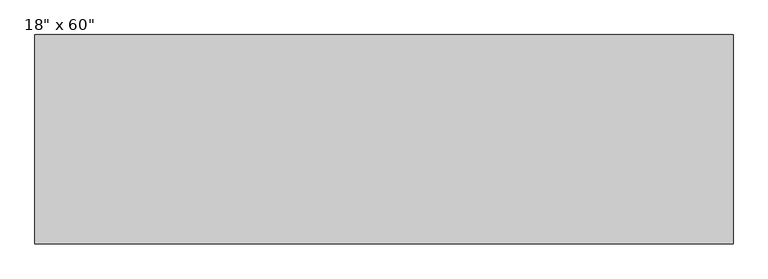
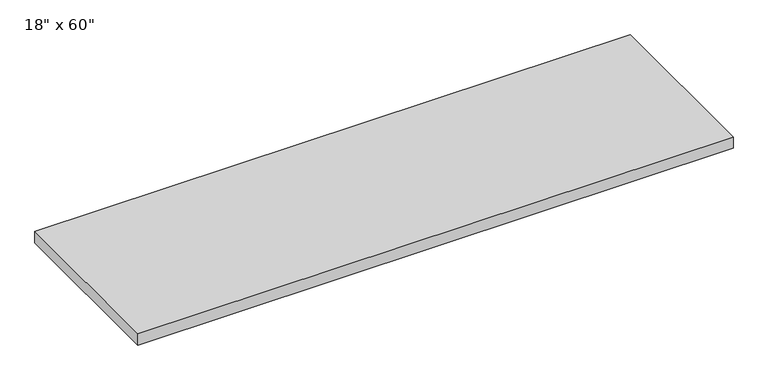
"""IFC4 building model written with IfcOpenShell, lengths in millimetres: furniture geometry."""

from ifc_helpers import new_model, si_unit, frame, origin, place, context, project, spatial, polyline, outline, extrude, source, transform, mapped, element, save


def furniture_e57ce7f2(model_context):
    return source(origin(), model_context, "Body", "SweptSolid", [
        extrude(outline(polyline([(762.0, 228.6), (762.0, -228.6), (-762.0, -228.6), (-762.0, 228.6), (762.0, 228.6)])), frame((0.0, 0.0, 584.2), z_axis=(0.0, 0.0, 1.0), x_axis=(1.0, 0.0, 0.0)), (0.0, 0.0, 1.0), 30.1625),
    ])


if __name__ == "__main__":
    model = new_model("IFC4")
    model_context = context("Model", 3, world=origin())
    ifc_project = project(units=[si_unit("LENGTHUNIT", "METRE", prefix="MILLI")], contexts=[model_context])
    site = spatial("IfcSite", under=ifc_project)
    building = spatial("IfcBuilding", under=site)
    placement = place(None, origin())
    furniture_shape = furniture_e57ce7f2(model_context)
    element("IfcFurniture", 1, ObjectType="18\" x 60\"", at=placement, inside=building, context=model_context, shape_type="MappedRepresentation", body=[
        mapped(furniture_shape, transform((0.0, 0.0, 0.0), x_axis=(1.0, 0.0, 0.0), y_axis=(0.0, 1.0, 0.0), z_axis=(0.0, 0.0, 1.0))),
    ])
    save(model, "model.ifc")
